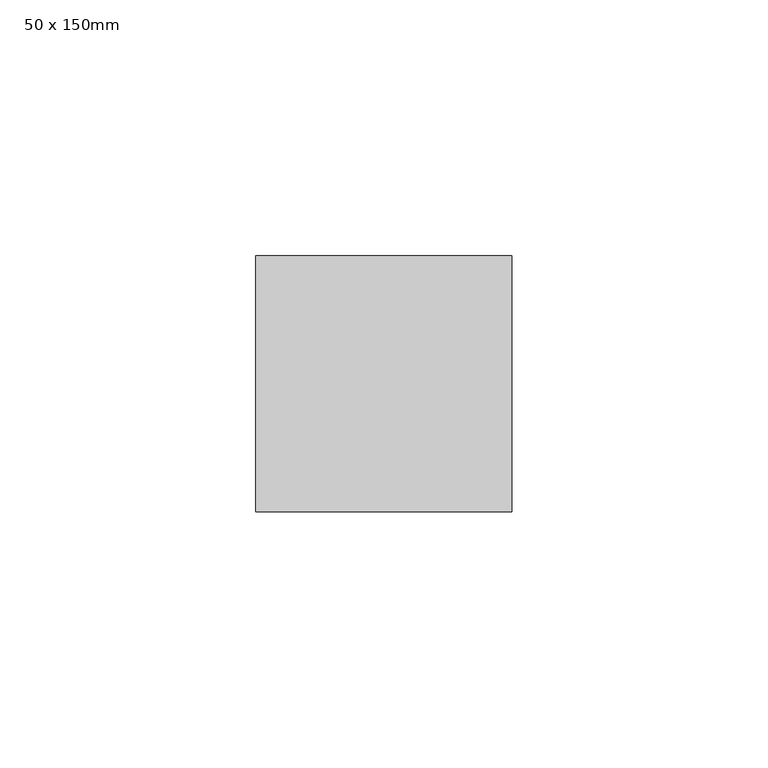
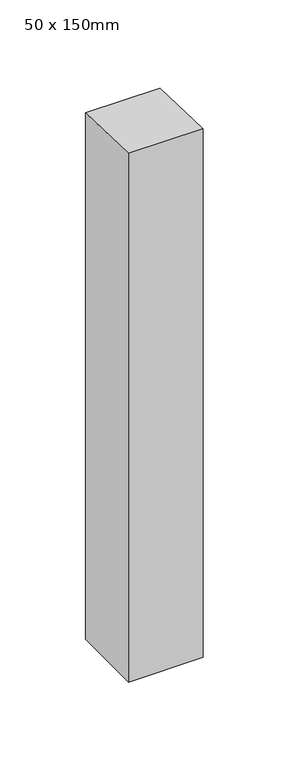
"""IFC4 building model written with IfcOpenShell, lengths in millimetres: member geometry, 50 x 150mm."""

from ifc_helpers import new_model, si_unit, frame, origin, place, context, project, spatial, polyline, outline, extrude, source, transform, mapped, element, save


def member_50_x_150mm_90809705(model_context):
    return source(origin(), model_context, "Body", "SweptSolid", [
        extrude(outline(polyline([(-25.0, 0.7612833), (25.0, -0.7612833), (25.0, -375.0), (-25.0, -375.0), (-25.0, 0.7612833)])), frame((-25.0, 0.0, 0.0), z_axis=(1.0, 0.0, 0.0), x_axis=(0.0, 1.0, 0.0)), (0.0, 0.0, 1.0), 50.0),
    ])


if __name__ == "__main__":
    model = new_model("IFC4")
    model_context = context("Model", 3, world=origin())
    ifc_project = project(units=[si_unit("LENGTHUNIT", "METRE", prefix="MILLI")], contexts=[model_context])
    site = spatial("IfcSite", under=ifc_project)
    building = spatial("IfcBuilding", under=site)
    placement = place(None, origin())
    member_50_x_150mm_shape = member_50_x_150mm_90809705(model_context)
    element("IfcMember", 1, ObjectType="50 x 150mm", at=placement, inside=building, context=model_context, shape_type="MappedRepresentation", body=[
        mapped(member_50_x_150mm_shape, transform((0.0, 0.0, 0.0), x_axis=(1.0, 0.0, 0.0), y_axis=(0.0, 1.0, 0.0), z_axis=(0.0, 0.0, 1.0))),
    ])
    save(model, "model.ifc")
